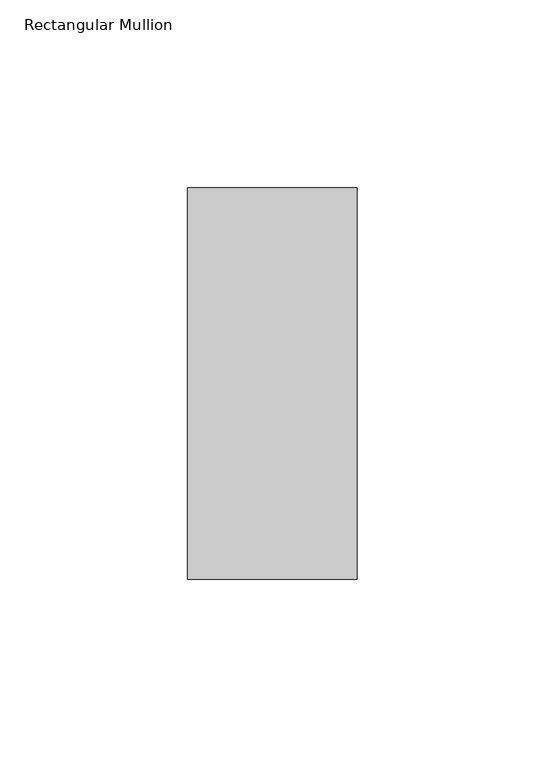
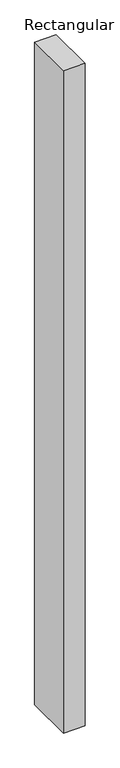
"""IFC4 building model written with IfcOpenShell, lengths in millimetres: member geometry, Rectangular Mullion."""

import ifcopenshell
import ifcopenshell.guid

model = None  # the IFC model being written
_history = None  # IfcOwnerHistory: only IFC2X3 demands one
_inside = {}  # id of a spatial element -> (the spatial element, [elements in it])
_under = {}  # id of a project, library or spatial element -> (it, [spatial elements below it])
_declared = {}  # id of a project -> (the project, [libraries it declares])
_typed = {}  # id of a type object -> (the type object, [elements of that type])
_made_of = {}  # id of a material, layer set ... -> (it, [elements and type objects made of it])


def new_model(schema):
    """Start an empty IFC model of exactly this schema.

    Asked for "IFC4X3", IfcOpenShell would pick the latest addendum, in which some entities
    have other attributes; the version numbers below select the first issue.
    IFC2X3 requires an IfcOwnerHistory on every rooted entity: one is made here for all.
    """
    global model, _history
    if schema == "IFC4X3":
        model = ifcopenshell.file(schema_version=(4, 3, 0, 0))
    else:
        model = ifcopenshell.file(schema=schema)
    _inside.clear()
    _under.clear()
    _declared.clear()
    _typed.clear()
    _made_of.clear()
    _history = None
    if model.schema == "IFC2X3":
        org = make("IfcOrganization", Name="unknown")
        user = make(
            "IfcPersonAndOrganization",
            ThePerson=make("IfcPerson", FamilyName="unknown"),
            TheOrganization=org,
        )
        app = make(
            "IfcApplication",
            ApplicationDeveloper=org,
            Version="unknown",
            ApplicationFullName="unknown",
            ApplicationIdentifier="unknown",
        )
        _history = make(
            "IfcOwnerHistory",
            OwningUser=user,
            OwningApplication=app,
            ChangeAction="ADDED",
            CreationDate=0,
        )
    return model


def make(cls, **values):
    """One entity of the class cls with the attributes given. An attribute that is None is left unset."""
    return model.create_entity(
        cls, **{name: value for name, value in values.items() if value is not None}
    )


def rooted(cls, **values):
    """An entity with a GlobalId (a new one), such as an element, a storey or a relation."""
    return make(cls, GlobalId=ifcopenshell.guid.new(), OwnerHistory=_history, **values)


def si_unit(unit_type, name, prefix=None):
    """IfcSIUnit, for example si_unit("LENGTHUNIT", "METRE", prefix="MILLI")."""
    return make("IfcSIUnit", UnitType=unit_type, Prefix=prefix, Name=name)


def assignment(units):
    """IfcUnitAssignment: the units of a project."""
    return None if units is None else make("IfcUnitAssignment", Units=units)


def point(xyz):
    """IfcCartesianPoint."""
    return None if xyz is None else make("IfcCartesianPoint", Coordinates=xyz)


def direction(xyz):
    """IfcDirection."""
    return None if xyz is None else make("IfcDirection", DirectionRatios=xyz)


def frame(location, z_axis=None, x_axis=None):
    """IfcAxis2Placement3D, a coordinate frame: its origin and axes. An axis left out is left unset."""
    return make(
        "IfcAxis2Placement3D",
        Location=point(location),
        Axis=direction(z_axis),
        RefDirection=direction(x_axis),
    )


def origin():
    """The frame at (0, 0, 0) with its axes left unset."""
    return frame((0.0, 0.0, 0.0))


def place(relative_to, where):
    """IfcLocalPlacement: puts the frame where relative to a parent placement (None: the world)."""
    return make(
        "IfcLocalPlacement", PlacementRelTo=relative_to, RelativePlacement=where
    )


def context(
    kind, dimensions, precision=None, world=None, true_north=None, identifier=None
):
    """IfcGeometricRepresentationContext, for example the 3D "Model" context."""
    return make(
        "IfcGeometricRepresentationContext",
        ContextIdentifier=identifier,
        ContextType=kind,
        CoordinateSpaceDimension=dimensions,
        Precision=precision,
        WorldCoordinateSystem=world,
        TrueNorth=true_north,
    )


def project(units=None, contexts=None):
    """IfcProject with its units and contexts."""
    return rooted(
        "IfcProject",
        Name="project",
        RepresentationContexts=contexts,
        UnitsInContext=assignment(units),
    )


def spatial(cls, under=None, at=None, **own):
    """A site, building, storey or space (cls), placed at a placement, below another one or the project."""
    s = rooted(cls, ObjectPlacement=at, **own)
    if under is not None:
        _under.setdefault(under.id(), (under, []))[1].append(s)
    return s


def polyline(points):
    """IfcPolyline through the points."""
    return make("IfcPolyline", Points=[point(p) for p in points])


def outline(outer, holes=None, kind="AREA"):
    """IfcArbitraryClosedProfileDef: a profile drawn as a closed curve; with holes, ...WithVoids."""
    if holes is None:
        return make("IfcArbitraryClosedProfileDef", ProfileType=kind, OuterCurve=outer)
    return make(
        "IfcArbitraryProfileDefWithVoids",
        ProfileType=kind,
        OuterCurve=outer,
        InnerCurves=holes,
    )


def extrude(swept, where, along, depth):
    """IfcExtrudedAreaSolid: the profile swept, set in the frame where, extruded along a direction by depth."""
    return make(
        "IfcExtrudedAreaSolid",
        SweptArea=swept,
        Position=where,
        ExtrudedDirection=direction(along),
        Depth=depth,
    )


def shape(context_of_items, identifier, shape_type, items):
    """IfcShapeRepresentation: the items that make up one representation, for example the "Body"."""
    return make(
        "IfcShapeRepresentation",
        ContextOfItems=context_of_items,
        RepresentationIdentifier=identifier,
        RepresentationType=shape_type,
        Items=items,
    )


def source(mapping_origin, context_of_items, identifier, shape_type, items):
    """IfcRepresentationMap: a shape defined once, which mapped items show again and again."""
    return make(
        "IfcRepresentationMap",
        MappingOrigin=mapping_origin,
        MappedRepresentation=shape(context_of_items, identifier, shape_type, items),
    )


def transform(
    local_origin,
    x_axis=None,
    y_axis=None,
    z_axis=None,
    scale=None,
    scale2=None,
    scale3=None,
    uniform=True,
):
    """IfcCartesianTransformationOperator3D, or its non-uniform kind. x_axis, y_axis, z_axis: its Axis1, 2, 3."""
    if uniform:
        return make(
            "IfcCartesianTransformationOperator3D",
            Axis1=direction(x_axis),
            Axis2=direction(y_axis),
            LocalOrigin=point(local_origin),
            Scale=scale,
            Axis3=direction(z_axis),
        )
    return make(
        "IfcCartesianTransformationOperator3DnonUniform",
        Axis1=direction(x_axis),
        Axis2=direction(y_axis),
        LocalOrigin=point(local_origin),
        Scale=scale,
        Axis3=direction(z_axis),
        Scale2=scale2,
        Scale3=scale3,
    )


def mapped(mapping_source, mapping_target):
    """IfcMappedItem: shows the shape of a source again, moved by a transform."""
    return make(
        "IfcMappedItem", MappingSource=mapping_source, MappingTarget=mapping_target
    )


def made_of(thing, what):
    """Note that an element or type object is made of a material, layer set ...; save() writes the relation."""
    if what is not None:
        _made_of.setdefault(what.id(), (what, []))[1].append(thing)
    return thing


def element(
    cls,
    number,
    at=None,
    inside=None,
    cuts=None,
    type_object=None,
    material=None,
    context=None,
    identifier="Body",
    shape_type=None,
    held_by="IfcProductDefinitionShape",
    body=None,
    shapes=None,
    **own,
):
    """One element of the class cls, such as IfcWall. Its Tag is "e" and its number.

    at: its placement. inside: the storey or other place that contains it. cuts: it is an
    opening in that element (IfcRelVoidsElement). A single representation is given by context,
    identifier, shape_type and body (its items); several are given by shapes. held_by: the class
    of the entity that holds the representations. save() writes the other relations.
    """
    e = rooted(cls, Tag="e%d" % number, ObjectPlacement=at, **own)
    if body is not None:
        shapes = [shape(context, identifier, shape_type, body)]
    if shapes is not None:
        e.Representation = make(held_by, Representations=shapes)
    if inside is not None:
        _inside.setdefault(inside.id(), (inside, []))[1].append(e)
    if cuts is not None:
        rooted(
            "IfcRelVoidsElement", RelatingBuildingElement=cuts, RelatedOpeningElement=e
        )
    if type_object is not None:
        _typed.setdefault(type_object.id(), (type_object, []))[1].append(e)
    return made_of(e, material)


def aggregate(whole, parts):
    """IfcRelAggregates: a whole, such as a stair, and the parts it consists of."""
    return rooted("IfcRelAggregates", RelatingObject=whole, RelatedObjects=parts)


def save(model, path):
    """Write the relations noted so far, then the file.

    IfcRelAggregates (storeys below a building ...), IfcRelContainedInSpatialStructure (elements
    in a storey), IfcRelDefinesByType, IfcRelAssociatesMaterial and IfcRelDeclares: one each for
    every whole, place, type object, material and project.
    """
    for whole, parts in _under.values():
        aggregate(whole, parts)
    for where, things in _inside.values():
        rooted(
            "IfcRelContainedInSpatialStructure",
            RelatedElements=things,
            RelatingStructure=where,
        )
    for kind, things in _typed.values():
        rooted("IfcRelDefinesByType", RelatedObjects=things, RelatingType=kind)
    for what, things in _made_of.values():
        rooted("IfcRelAssociatesMaterial", RelatedObjects=things, RelatingMaterial=what)
    for by, libraries in _declared.values():
        rooted("IfcRelDeclares", RelatingContext=by, RelatedDefinitions=libraries)
    model.write(path)


def rectangular_mullion_56bd5184(model_context):
    return source(origin(), model_context, "Body", "SweptSolid", [
        extrude(outline(polyline([(22.5, 67.525), (22.5, -36.525), (-22.5, -36.525), (-22.5, 67.525), (22.5, 67.525)])), frame((0.0, 0.0, -1465.0164899), z_axis=(0.0, 0.0, 1.0), x_axis=(1.0, 0.0, 0.0)), (0.0, 0.0, 1.0), 1465.0164899),
    ])


if __name__ == "__main__":
    model = new_model("IFC4")
    model_context = context("Model", 3, world=origin())
    ifc_project = project(units=[si_unit("LENGTHUNIT", "METRE", prefix="MILLI")], contexts=[model_context])
    site = spatial("IfcSite", under=ifc_project)
    building = spatial("IfcBuilding", under=site)
    placement = place(None, origin())
    rectangular_mullion_shape = rectangular_mullion_56bd5184(model_context)
    element("IfcMember", 1, ObjectType="Rectangular Mullion", at=placement, inside=building, context=model_context, shape_type="MappedRepresentation", body=[
        mapped(rectangular_mullion_shape, transform((0.0, 0.0, 0.0), x_axis=(1.0, 0.0, 0.0), y_axis=(0.0, 1.0, 0.0), z_axis=(0.0, 0.0, 1.0))),
    ])
    save(model, "model.ifc")
